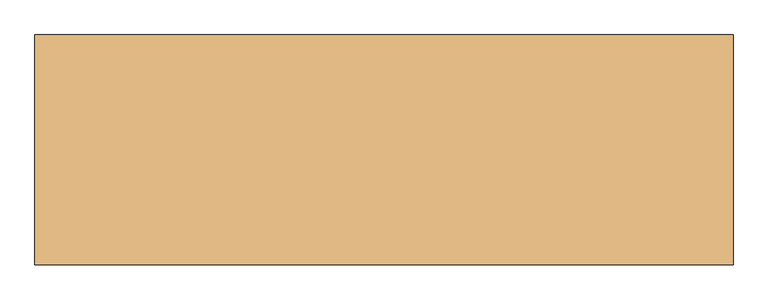
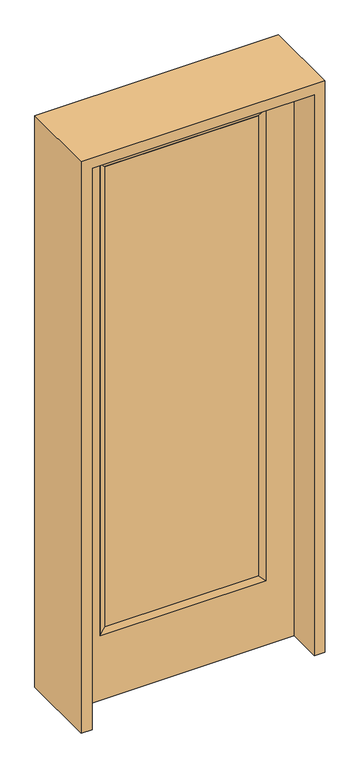
"""IFC4 building model written with IfcOpenShell, lengths in millimetres: door geometry."""

import ifcopenshell
import ifcopenshell.guid

model = None  # the IFC model being written
_history = None  # IfcOwnerHistory: only IFC2X3 demands one
_inside = {}  # id of a spatial element -> (the spatial element, [elements in it])
_under = {}  # id of a project, library or spatial element -> (it, [spatial elements below it])
_declared = {}  # id of a project -> (the project, [libraries it declares])
_typed = {}  # id of a type object -> (the type object, [elements of that type])
_made_of = {}  # id of a material, layer set ... -> (it, [elements and type objects made of it])


def new_model(schema):
    """Start an empty IFC model of exactly this schema.

    Asked for "IFC4X3", IfcOpenShell would pick the latest addendum, in which some entities
    have other attributes; the version numbers below select the first issue.
    IFC2X3 requires an IfcOwnerHistory on every rooted entity: one is made here for all.
    """
    global model, _history
    if schema == "IFC4X3":
        model = ifcopenshell.file(schema_version=(4, 3, 0, 0))
    else:
        model = ifcopenshell.file(schema=schema)
    _inside.clear()
    _under.clear()
    _declared.clear()
    _typed.clear()
    _made_of.clear()
    _history = None
    if model.schema == "IFC2X3":
        org = make("IfcOrganization", Name="unknown")
        user = make(
            "IfcPersonAndOrganization",
            ThePerson=make("IfcPerson", FamilyName="unknown"),
            TheOrganization=org,
        )
        app = make(
            "IfcApplication",
            ApplicationDeveloper=org,
            Version="unknown",
            ApplicationFullName="unknown",
            ApplicationIdentifier="unknown",
        )
        _history = make(
            "IfcOwnerHistory",
            OwningUser=user,
            OwningApplication=app,
            ChangeAction="ADDED",
            CreationDate=0,
        )
    return model


def make(cls, **values):
    """One entity of the class cls with the attributes given. An attribute that is None is left unset."""
    return model.create_entity(
        cls, **{name: value for name, value in values.items() if value is not None}
    )


def rooted(cls, **values):
    """An entity with a GlobalId (a new one), such as an element, a storey or a relation."""
    return make(cls, GlobalId=ifcopenshell.guid.new(), OwnerHistory=_history, **values)


def si_unit(unit_type, name, prefix=None):
    """IfcSIUnit, for example si_unit("LENGTHUNIT", "METRE", prefix="MILLI")."""
    return make("IfcSIUnit", UnitType=unit_type, Prefix=prefix, Name=name)


def assignment(units):
    """IfcUnitAssignment: the units of a project."""
    return None if units is None else make("IfcUnitAssignment", Units=units)


def point(xyz):
    """IfcCartesianPoint."""
    return None if xyz is None else make("IfcCartesianPoint", Coordinates=xyz)


def direction(xyz):
    """IfcDirection."""
    return None if xyz is None else make("IfcDirection", DirectionRatios=xyz)


def frame(location, z_axis=None, x_axis=None):
    """IfcAxis2Placement3D, a coordinate frame: its origin and axes. An axis left out is left unset."""
    return make(
        "IfcAxis2Placement3D",
        Location=point(location),
        Axis=direction(z_axis),
        RefDirection=direction(x_axis),
    )


def origin():
    """The frame at (0, 0, 0) with its axes left unset."""
    return frame((0.0, 0.0, 0.0))


def place(relative_to, where):
    """IfcLocalPlacement: puts the frame where relative to a parent placement (None: the world)."""
    return make(
        "IfcLocalPlacement", PlacementRelTo=relative_to, RelativePlacement=where
    )


def context(
    kind, dimensions, precision=None, world=None, true_north=None, identifier=None
):
    """IfcGeometricRepresentationContext, for example the 3D "Model" context."""
    return make(
        "IfcGeometricRepresentationContext",
        ContextIdentifier=identifier,
        ContextType=kind,
        CoordinateSpaceDimension=dimensions,
        Precision=precision,
        WorldCoordinateSystem=world,
        TrueNorth=true_north,
    )


def project(units=None, contexts=None):
    """IfcProject with its units and contexts."""
    return rooted(
        "IfcProject",
        Name="project",
        RepresentationContexts=contexts,
        UnitsInContext=assignment(units),
    )


def spatial(cls, under=None, at=None, **own):
    """A site, building, storey or space (cls), placed at a placement, below another one or the project."""
    s = rooted(cls, ObjectPlacement=at, **own)
    if under is not None:
        _under.setdefault(under.id(), (under, []))[1].append(s)
    return s


def polyline(points):
    """IfcPolyline through the points."""
    return make("IfcPolyline", Points=[point(p) for p in points])


def outline(outer, holes=None, kind="AREA"):
    """IfcArbitraryClosedProfileDef: a profile drawn as a closed curve; with holes, ...WithVoids."""
    if holes is None:
        return make("IfcArbitraryClosedProfileDef", ProfileType=kind, OuterCurve=outer)
    return make(
        "IfcArbitraryProfileDefWithVoids",
        ProfileType=kind,
        OuterCurve=outer,
        InnerCurves=holes,
    )


def extrude(swept, where, along, depth):
    """IfcExtrudedAreaSolid: the profile swept, set in the frame where, extruded along a direction by depth."""
    return make(
        "IfcExtrudedAreaSolid",
        SweptArea=swept,
        Position=where,
        ExtrudedDirection=direction(along),
        Depth=depth,
    )


def faces_of(points, faces, orient=None, outer=None):
    """IfcFace entities. A face is a list of loops; a loop is a list of indices into points, from 0.

    orient and outer hold one flag for each loop. By default every Orientation is true, the
    first loop of a face is its IfcFaceOuterBound and the others are IfcFaceBound.
    """
    made = []
    for i, loops in enumerate(faces):
        bounds = []
        for j, loop in enumerate(loops):
            is_outer = j == 0 if outer is None else outer[i][j]
            bounds.append(
                make(
                    "IfcFaceOuterBound" if is_outer else "IfcFaceBound",
                    Bound=make("IfcPolyLoop", Polygon=[points[k] for k in loop]),
                    Orientation=True if orient is None else orient[i][j],
                )
            )
        made.append(make("IfcFace", Bounds=bounds))
    return made


def faceted_brep(points, faces, orient=None, outer=None, voids=None):
    """IfcFacetedBrep: a solid bounded by flat faces; with voids (closed shells), ...WithVoids."""
    shared = [point(p) for p in points]
    hull = make("IfcClosedShell", CfsFaces=faces_of(shared, faces, orient, outer))
    if voids is None:
        return make("IfcFacetedBrep", Outer=hull)
    return make(
        "IfcFacetedBrepWithVoids",
        Outer=hull,
        Voids=[
            make(cls, CfsFaces=faces_of(shared, fs, o, b)) for cls, fs, o, b in voids
        ],
    )


def shape(context_of_items, identifier, shape_type, items):
    """IfcShapeRepresentation: the items that make up one representation, for example the "Body"."""
    return make(
        "IfcShapeRepresentation",
        ContextOfItems=context_of_items,
        RepresentationIdentifier=identifier,
        RepresentationType=shape_type,
        Items=items,
    )


def source(mapping_origin, context_of_items, identifier, shape_type, items):
    """IfcRepresentationMap: a shape defined once, which mapped items show again and again."""
    return make(
        "IfcRepresentationMap",
        MappingOrigin=mapping_origin,
        MappedRepresentation=shape(context_of_items, identifier, shape_type, items),
    )


def transform(
    local_origin,
    x_axis=None,
    y_axis=None,
    z_axis=None,
    scale=None,
    scale2=None,
    scale3=None,
    uniform=True,
):
    """IfcCartesianTransformationOperator3D, or its non-uniform kind. x_axis, y_axis, z_axis: its Axis1, 2, 3."""
    if uniform:
        return make(
            "IfcCartesianTransformationOperator3D",
            Axis1=direction(x_axis),
            Axis2=direction(y_axis),
            LocalOrigin=point(local_origin),
            Scale=scale,
            Axis3=direction(z_axis),
        )
    return make(
        "IfcCartesianTransformationOperator3DnonUniform",
        Axis1=direction(x_axis),
        Axis2=direction(y_axis),
        LocalOrigin=point(local_origin),
        Scale=scale,
        Axis3=direction(z_axis),
        Scale2=scale2,
        Scale3=scale3,
    )


def mapped(mapping_source, mapping_target):
    """IfcMappedItem: shows the shape of a source again, moved by a transform."""
    return make(
        "IfcMappedItem", MappingSource=mapping_source, MappingTarget=mapping_target
    )


def made_of(thing, what):
    """Note that an element or type object is made of a material, layer set ...; save() writes the relation."""
    if what is not None:
        _made_of.setdefault(what.id(), (what, []))[1].append(thing)
    return thing


def element(
    cls,
    number,
    at=None,
    inside=None,
    cuts=None,
    type_object=None,
    material=None,
    context=None,
    identifier="Body",
    shape_type=None,
    held_by="IfcProductDefinitionShape",
    body=None,
    shapes=None,
    **own,
):
    """One element of the class cls, such as IfcWall. Its Tag is "e" and its number.

    at: its placement. inside: the storey or other place that contains it. cuts: it is an
    opening in that element (IfcRelVoidsElement). A single representation is given by context,
    identifier, shape_type and body (its items); several are given by shapes. held_by: the class
    of the entity that holds the representations. save() writes the other relations.
    """
    e = rooted(cls, Tag="e%d" % number, ObjectPlacement=at, **own)
    if body is not None:
        shapes = [shape(context, identifier, shape_type, body)]
    if shapes is not None:
        e.Representation = make(held_by, Representations=shapes)
    if inside is not None:
        _inside.setdefault(inside.id(), (inside, []))[1].append(e)
    if cuts is not None:
        rooted(
            "IfcRelVoidsElement", RelatingBuildingElement=cuts, RelatedOpeningElement=e
        )
    if type_object is not None:
        _typed.setdefault(type_object.id(), (type_object, []))[1].append(e)
    return made_of(e, material)


def aggregate(whole, parts):
    """IfcRelAggregates: a whole, such as a stair, and the parts it consists of."""
    return rooted("IfcRelAggregates", RelatingObject=whole, RelatedObjects=parts)


def save(model, path):
    """Write the relations noted so far, then the file.

    IfcRelAggregates (storeys below a building ...), IfcRelContainedInSpatialStructure (elements
    in a storey), IfcRelDefinesByType, IfcRelAssociatesMaterial and IfcRelDeclares: one each for
    every whole, place, type object, material and project.
    """
    for whole, parts in _under.values():
        aggregate(whole, parts)
    for where, things in _inside.values():
        rooted(
            "IfcRelContainedInSpatialStructure",
            RelatedElements=things,
            RelatingStructure=where,
        )
    for kind, things in _typed.values():
        rooted("IfcRelDefinesByType", RelatedObjects=things, RelatingType=kind)
    for what, things in _made_of.values():
        rooted("IfcRelAssociatesMaterial", RelatedObjects=things, RelatingMaterial=what)
    for by, libraries in _declared.values():
        rooted("IfcRelDeclares", RelatingContext=by, RelatedDefinitions=libraries)
    model.write(path)


def door_865b5680(model_context):
    return source(origin(), model_context, "Body", "SolidModel", [
        extrude(outline(polyline([(316.3824, -12.7039749), (-316.3824, -12.7039749), (-316.3824, 14.2875), (316.3824, 14.2875), (316.3824, -12.7039749)])), frame((0.0, 0.0, 304.8), z_axis=(0.0, 0.0, 1.0), x_axis=(1.0, 0.0, 0.0)), (0.0, 0.0, 1.0), 2000.25),
        faceted_brep([(316.3824, 14.2875, 2305.05), (341.7824, 22.225, 2330.45), (341.7824, 22.225, 279.4), (316.3824, 14.2875, 304.8), (341.7824, -22.225, 2330.45), (341.7824, -22.225, 279.4), (-341.7824, 22.225, 279.4), (-316.3824, 14.2875, 304.8), (316.3824, -12.7039749, 2305.05), (316.3824, -12.7039749, 304.8), (-316.3824, -12.7039749, 304.8), (-341.7824, -22.225, 279.4), (-341.7824, 22.225, 2330.45), (-316.3824, 14.2875, 2305.05), (-316.3824, -12.7039749, 2305.05), (-341.7824, -22.225, 2330.45)], [[[0, 1, 2, 3]], [[1, 4, 5, 2]], [[3, 2, 6, 7]], [[8, 0, 3, 9]], [[9, 3, 7, 10]], [[4, 8, 9, 5]], [[5, 9, 10, 11]], [[2, 5, 11, 6]], [[7, 6, 12, 13]], [[10, 7, 13, 14]], [[11, 10, 14, 15]], [[6, 11, 15, 12]], [[13, 12, 1, 0]], [[14, 13, 0, 8]], [[15, 14, 8, 4]], [[12, 15, 4, 1]]]),
        extrude(outline(polyline([(0.0, -457.2), (0.0, 457.2), (2438.4, 457.2), (2438.4, -457.2), (0.0, -457.2)]), holes=[polyline([(279.4, -341.7824), (2330.45, -341.7824), (2330.45, 341.7824), (279.4, 341.7824), (279.4, -341.7824)])]), frame((0.0, -22.225, 0.0), z_axis=(0.0, 1.0, 0.0), x_axis=(0.0, 0.0, 1.0)), (0.0, 0.0, 1.0), 44.45),
        extrude(outline(polyline([(2482.85, -501.65), (0.0, -501.65), (0.0, -457.2), (2438.4, -457.2), (2438.4, 457.2), (0.0, 457.2), (0.0, 501.65), (2482.85, 501.65), (2482.85, -501.65)])), frame((0.0, -165.1, 0.0), z_axis=(0.0, 1.0, 0.0), x_axis=(0.0, 0.0, 1.0)), (0.0, 0.0, 1.0), 330.2),
    ])


if __name__ == "__main__":
    model = new_model("IFC4")
    model_context = context("Model", 3, world=origin())
    ifc_project = project(units=[si_unit("LENGTHUNIT", "METRE", prefix="MILLI")], contexts=[model_context])
    site = spatial("IfcSite", under=ifc_project)
    building = spatial("IfcBuilding", under=site)
    placement = place(None, origin())
    door_shape = door_865b5680(model_context)
    element("IfcDoor", 1, at=placement, inside=building, context=model_context, shape_type="MappedRepresentation", body=[
        mapped(door_shape, transform((0.0, 0.0, 0.0), x_axis=(1.0, 0.0, 0.0), y_axis=(0.0, 1.0, 0.0), z_axis=(0.0, 0.0, 1.0))),
    ])
    save(model, "model.ifc")
